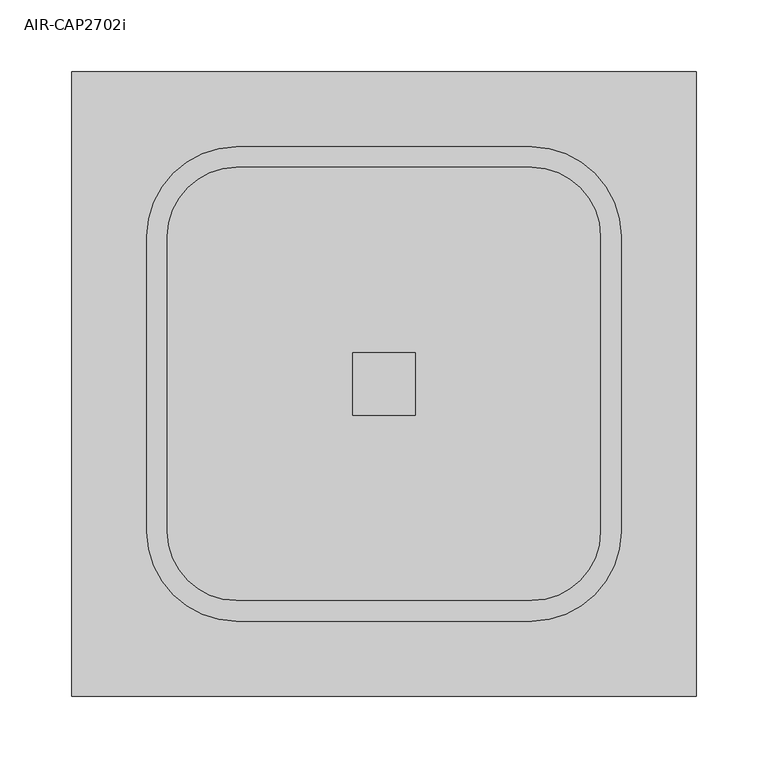
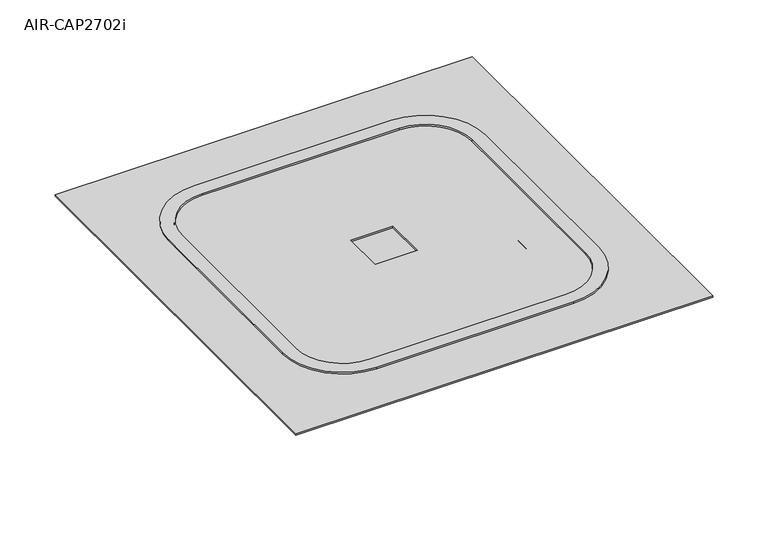
"""IFC4 building model written with IfcOpenShell, lengths in millimetres: electric appliance geometry, AIR-CAP2702i."""

from ifc_helpers import new_model, si_unit, point, frame, frame_2d, origin, origin_with_axes, place, context, project, spatial, polyline, circle_curve, ellipse_curve, trimmed, segment, composite_curve, outline, extrude, source, transform, mapped, element, save
from ifc_brep_helpers import plane_surface, cylinder_surface, revolved_surface, advanced_brep


def air_cap2702i_17e53360(model_context):
    return source(origin(), model_context, "Body", "SolidModel", [
        extrude(outline(composite_curve([segment(trimmed(circle_curve(frame_2d((182.0758539, 23.3036249)), 32.0189745), [point((182.0758539, 55.3225994))], [point((214.0948284, 23.3036249))], False, "CARTESIAN"), True, "CONTINUOUS"), segment(polyline([(214.0948284, 23.3036249), (214.0948284, -182.4363751)]), True, "CONTINUOUS"), segment(trimmed(circle_curve(frame_2d((182.0758539, -182.4363751)), 32.0189745), [point((214.0948284, -182.4363751))], [point((182.0758539, -214.4553495))], False, "CARTESIAN"), True, "CONTINUOUS"), segment(polyline([(182.0758539, -214.4553495), (-23.6641461, -214.4553495)]), True, "CONTINUOUS"), segment(trimmed(circle_curve(frame_2d((-23.6641461, -182.4363751)), 32.0189745), [point((-23.6641461, -214.4553495))], [point((-55.6831205, -182.4363751))], False, "CARTESIAN"), True, "CONTINUOUS"), segment(polyline([(-55.6831205, -182.4363751), (-55.6831205, 23.3036249)]), True, "CONTINUOUS"), segment(trimmed(circle_curve(frame_2d((-23.6641461, 23.3036249)), 32.0189745), [point((-55.6831205, 23.3036249))], [point((-23.6641461, 55.3225994))], False, "CARTESIAN"), True, "CONTINUOUS"), segment(polyline([(-23.6641461, 55.3225994), (182.0758539, 55.3225994)]), True, "CONTINUOUS")], self_intersect=False)), frame((0.0, 0.0, -50.8), z_axis=(0.0, 0.0, 1.0), x_axis=(1.0, 0.0, 0.0)), (0.0, 0.0, 1.0), 1.5875),
        advanced_brep(
        [(231.6058539, 23.3036249, -1.778), (182.0758539, 72.8336249, -1.778), (182.0758539, 72.8336249, 1.5875), (231.6058539, 23.3036249, 1.5875), (226.6896043, 23.3036249, -39.7314476), (182.0758539, 67.9173752, -39.7314476), (214.0948284, 23.3036249, -50.8), (182.0758539, 55.3225994, -50.8), (214.0948284, 23.3036249, -49.2125), (182.0758539, 55.3225994, -49.2125), (225.1152573, 23.3036249, -39.5275167), (182.0758539, 66.3430283, -39.5275167), (230.0183539, 23.3036249, -1.6756104), (182.0758539, 71.2461249, -1.6756104), (230.0183539, 23.3036249, 3.175), (182.0758539, 71.2461249, 3.175), (244.3058539, 23.3036249, 1.5875), (182.0758539, 85.5336249, 1.5875), (182.0758539, 85.5336249, 3.175), (244.3058539, 23.3036249, 3.175), (231.6058539, -182.4363751, 1.5875), (231.6058539, -182.4363751, -1.778), (226.6896043, -182.4363751, -39.7314476), (214.0948284, -182.4363751, -50.8), (214.0948284, -182.4363751, -49.2125), (225.1152573, -182.4363751, -39.5275167), (230.0183539, -182.4363751, -1.6756104), (230.0183539, -182.4363751, 3.175), (244.3058539, -182.4363751, 3.175), (244.3058539, -182.4363751, 1.5875), (182.0758539, -231.9663751, -1.778), (182.0758539, -231.9663751, 1.5875), (182.0758539, -227.0501254, -39.7314476), (182.0758539, -214.4553495, -50.8), (182.0758539, -214.4553495, -49.2125), (182.0758539, -225.4757784, -39.5275167), (182.0758539, -230.3788751, -1.6756104), (182.0758539, -230.3788751, 3.175), (182.0758539, -244.6663751, 1.5875), (182.0758539, -244.6663751, 3.175), (-23.6641461, -231.9663751, 1.5875), (-23.6641461, -231.9663751, -1.778), (-23.6641461, -227.0501254, -39.7314476), (-23.6641461, -214.4553495, -50.8), (-23.6641461, -214.4553495, -49.2125), (-23.6641461, -225.4757784, -39.5275167), (-23.6641461, -230.3788751, -1.6756104), (-23.6641461, -230.3788751, 3.175), (-23.6641461, -244.6663751, 3.175), (-23.6641461, -244.6663751, 1.5875), (-73.1941461, -182.4363751, -1.778), (-73.1941461, -182.4363751, 1.5875), (-68.2778964, -182.4363751, -39.7314476), (-55.6831205, -182.4363751, -50.8), (-55.6831205, -182.4363751, -49.2125), (-66.7035494, -182.4363751, -39.5275167), (-71.6066461, -182.4363751, -1.6756104), (-71.6066461, -182.4363751, 3.175), (-85.8941461, -182.4363751, 1.5875), (-85.8941461, -182.4363751, 3.175), (-73.1941461, 23.3036249, 1.5875), (-73.1941461, 23.3036249, -1.778), (-68.2778964, 23.3036249, -39.7314476), (-55.6831205, 23.3036249, -50.8), (-55.6831205, 23.3036249, -49.2125), (-66.7035494, 23.3036249, -39.5275167), (-71.6066461, 23.3036249, -1.6756104), (-71.6066461, 23.3036249, 3.175), (-85.8941461, 23.3036249, 3.175), (-85.8941461, 23.3036249, 1.5875), (-23.6641461, 72.8336249, -1.778), (-23.6641461, 72.8336249, 1.5875), (-23.6641461, 67.9173752, -39.7314476), (-23.6641461, 55.3225994, -50.8), (-23.6641461, 55.3225994, -49.2125), (-23.6641461, 66.3430283, -39.5275167), (-23.6641461, 71.2461249, -1.6756104), (-23.6641461, 71.2461249, 3.175), (-23.6641461, 85.5336249, 3.175), (-23.6641461, 85.5336249, 1.5875)],
        [
            (0, 1, circle_curve(frame((182.0758539, 23.3036249, -1.778), z_axis=(0.0, 0.0, 1.0), x_axis=(0.0, 1.0, 0.0)), 49.53)),
            (1, 2),
            (2, 3, circle_curve(frame((182.0758539, 23.3036249, 1.5875), z_axis=(0.0, 0.0, -1.0), x_axis=(0.0, 1.0, 0.0)), 49.53)),
            (3, 0),
            (4, 5, circle_curve(frame((182.0758539, 23.3036249, -39.7314476), z_axis=(0.0, 0.0, 1.0), x_axis=(0.0, 1.0, 0.0)), 44.6137503)),
            (5, 1),
            (0, 4),
            (6, 7, circle_curve(frame((182.0758539, 23.3036249, -50.8), z_axis=(0.0, 0.0, 1.0), x_axis=(0.0, 1.0, 0.0)), 32.0189745)),
            (7, 5, circle_curve(frame((182.0758539, 55.3225994, -38.1), z_axis=(1.0, 0.0, 0.0), x_axis=(0.0, 1.0, 0.0)), 12.7)),
            (4, 6, circle_curve(frame((214.0948284, 23.3036249, -38.1), z_axis=(0.0, 1.0, 0.0), x_axis=(1.0, 0.0, 0.0)), 12.7)),
            (8, 9, circle_curve(frame((182.0758539, 23.3036249, -49.2125), z_axis=(0.0, 0.0, 1.0), x_axis=(0.0, 1.0, 0.0)), 32.0189745)),
            (9, 7),
            (6, 8),
            (10, 11, circle_curve(frame((182.0758539, 23.3036249, -39.5275167), z_axis=(0.0, 0.0, 1.0), x_axis=(0.0, 1.0, 0.0)), 43.0394033)),
            (11, 9, circle_curve(frame((182.0758539, 55.3225994, -38.1), z_axis=(-1.0, 0.0, 0.0), x_axis=(0.0, 1.0, 0.0)), 11.1125)),
            (8, 10, circle_curve(frame((214.0948284, 23.3036249, -38.1), z_axis=(0.0, -1.0, 0.0), x_axis=(1.0, 0.0, 0.0)), 11.1125)),
            (12, 13, circle_curve(frame((182.0758539, 23.3036249, -1.6756104), z_axis=(0.0, 0.0, 1.0), x_axis=(0.0, 1.0, 0.0)), 47.9425)),
            (13, 11),
            (10, 12),
            (14, 15, circle_curve(frame((182.0758539, 23.3036249, 3.175), z_axis=(0.0, 0.0, 1.0), x_axis=(0.0, 1.0, 0.0)), 47.9425)),
            (15, 13),
            (12, 14),
            (16, 17, circle_curve(frame((182.0758539, 23.3036249, 1.5875), z_axis=(0.0, 0.0, 1.0), x_axis=(0.0, 1.0, 0.0)), 62.23)),
            (17, 18),
            (18, 19, circle_curve(frame((182.0758539, 23.3036249, 3.175), z_axis=(0.0, 0.0, -1.0), x_axis=(0.0, 1.0, 0.0)), 62.23)),
            (19, 16),
            (3, 20),
            (20, 21),
            (21, 0),
            (21, 22),
            (22, 4),
            (22, 23, circle_curve(frame((214.0948284, -182.4363751, -38.1), z_axis=(0.0, 1.0, 0.0), x_axis=(1.0, 0.0, 0.0)), 12.7)),
            (23, 6),
            (23, 24),
            (24, 8),
            (24, 25, circle_curve(frame((214.0948284, -182.4363751, -38.1), z_axis=(0.0, -1.0, 0.0), x_axis=(1.0, 0.0, 0.0)), 11.1125)),
            (25, 10),
            (25, 26),
            (26, 12),
            (26, 27),
            (27, 14),
            (19, 28),
            (28, 29),
            (29, 16),
            (30, 21, circle_curve(frame((182.0758539, -182.4363751, -1.778), z_axis=(0.0, 0.0, 1.0), x_axis=(1.0, 0.0, 0.0)), 49.53)),
            (20, 31, circle_curve(frame((182.0758539, -182.4363751, 1.5875), z_axis=(0.0, 0.0, -1.0), x_axis=(1.0, 0.0, 0.0)), 49.53)),
            (31, 30),
            (32, 22, circle_curve(frame((182.0758539, -182.4363751, -39.7314476), z_axis=(0.0, 0.0, 1.0), x_axis=(1.0, 0.0, 0.0)), 44.6137503)),
            (30, 32),
            (33, 23, circle_curve(frame((182.0758539, -182.4363751, -50.8), z_axis=(0.0, 0.0, 1.0), x_axis=(1.0, 0.0, 0.0)), 32.0189745)),
            (32, 33, circle_curve(frame((182.0758539, -214.4553495, -38.1), z_axis=(1.0, 0.0, 0.0), x_axis=(0.0, -1.0, 0.0)), 12.7)),
            (34, 24, circle_curve(frame((182.0758539, -182.4363751, -49.2125), z_axis=(0.0, 0.0, 1.0), x_axis=(1.0, 0.0, 0.0)), 32.0189745)),
            (33, 34),
            (35, 25, circle_curve(frame((182.0758539, -182.4363751, -39.5275167), z_axis=(0.0, 0.0, 1.0), x_axis=(1.0, 0.0, 0.0)), 43.0394033)),
            (34, 35, circle_curve(frame((182.0758539, -214.4553495, -38.1), z_axis=(-1.0, 0.0, 0.0), x_axis=(0.0, -1.0, 0.0)), 11.1125)),
            (36, 26, circle_curve(frame((182.0758539, -182.4363751, -1.6756104), z_axis=(0.0, 0.0, 1.0), x_axis=(1.0, 0.0, 0.0)), 47.9425)),
            (35, 36),
            (37, 27, circle_curve(frame((182.0758539, -182.4363751, 3.175), z_axis=(0.0, 0.0, 1.0), x_axis=(1.0, 0.0, 0.0)), 47.9425)),
            (36, 37),
            (38, 29, circle_curve(frame((182.0758539, -182.4363751, 1.5875), z_axis=(0.0, 0.0, 1.0), x_axis=(1.0, 0.0, 0.0)), 62.23)),
            (28, 39, circle_curve(frame((182.0758539, -182.4363751, 3.175), z_axis=(0.0, 0.0, -1.0), x_axis=(1.0, 0.0, 0.0)), 62.23)),
            (39, 38),
            (31, 40),
            (40, 41),
            (41, 30),
            (41, 42),
            (42, 32),
            (42, 43, circle_curve(frame((-23.6641461, -214.4553495, -38.1), z_axis=(1.0, 0.0, 0.0), x_axis=(0.0, -1.0, 0.0)), 12.7)),
            (43, 33),
            (43, 44),
            (44, 34),
            (44, 45, circle_curve(frame((-23.6641461, -214.4553495, -38.1), z_axis=(-1.0, 0.0, 0.0), x_axis=(0.0, -1.0, 0.0)), 11.1125)),
            (45, 35),
            (45, 46),
            (46, 36),
            (46, 47),
            (47, 37),
            (39, 48),
            (48, 49),
            (49, 38),
            (50, 41, circle_curve(frame((-23.6641461, -182.4363751, -1.778), z_axis=(0.0, 0.0, 1.0), x_axis=(0.0, -1.0, 0.0)), 49.53)),
            (40, 51, circle_curve(frame((-23.6641461, -182.4363751, 1.5875), z_axis=(0.0, 0.0, -1.0), x_axis=(0.0, -1.0, 0.0)), 49.53)),
            (51, 50),
            (52, 42, circle_curve(frame((-23.6641461, -182.4363751, -39.7314476), z_axis=(0.0, 0.0, 1.0), x_axis=(0.0, -1.0, 0.0)), 44.6137503)),
            (50, 52),
            (53, 43, circle_curve(frame((-23.6641461, -182.4363751, -50.8), z_axis=(0.0, 0.0, 1.0), x_axis=(0.0, -1.0, 0.0)), 32.0189745)),
            (52, 53, circle_curve(frame((-55.6831205, -182.4363751, -38.1), z_axis=(0.0, -1.0, 0.0), x_axis=(-1.0, 0.0, 0.0)), 12.7)),
            (54, 44, circle_curve(frame((-23.6641461, -182.4363751, -49.2125), z_axis=(0.0, 0.0, 1.0), x_axis=(0.0, -1.0, 0.0)), 32.0189745)),
            (53, 54),
            (55, 45, circle_curve(frame((-23.6641461, -182.4363751, -39.5275167), z_axis=(0.0, 0.0, 1.0), x_axis=(0.0, -1.0, 0.0)), 43.0394033)),
            (54, 55, circle_curve(frame((-55.6831205, -182.4363751, -38.1), z_axis=(0.0, 1.0, 0.0), x_axis=(-1.0, 0.0, 0.0)), 11.1125)),
            (56, 46, circle_curve(frame((-23.6641461, -182.4363751, -1.6756104), z_axis=(0.0, 0.0, 1.0), x_axis=(0.0, -1.0, 0.0)), 47.9425)),
            (55, 56),
            (57, 47, circle_curve(frame((-23.6641461, -182.4363751, 3.175), z_axis=(0.0, 0.0, 1.0), x_axis=(0.0, -1.0, 0.0)), 47.9425)),
            (56, 57),
            (58, 49, circle_curve(frame((-23.6641461, -182.4363751, 1.5875), z_axis=(0.0, 0.0, 1.0), x_axis=(0.0, -1.0, 0.0)), 62.23)),
            (48, 59, circle_curve(frame((-23.6641461, -182.4363751, 3.175), z_axis=(0.0, 0.0, -1.0), x_axis=(0.0, -1.0, 0.0)), 62.23)),
            (59, 58),
            (51, 60),
            (60, 61),
            (61, 50),
            (61, 62),
            (62, 52),
            (62, 63, circle_curve(frame((-55.6831205, 23.3036249, -38.1), z_axis=(0.0, -1.0, 0.0), x_axis=(-1.0, 0.0, 0.0)), 12.7)),
            (63, 53),
            (63, 64),
            (64, 54),
            (64, 65, circle_curve(frame((-55.6831205, 23.3036249, -38.1), z_axis=(0.0, 1.0, 0.0), x_axis=(-1.0, 0.0, 0.0)), 11.1125)),
            (65, 55),
            (65, 66),
            (66, 56),
            (66, 67),
            (67, 57),
            (59, 68),
            (68, 69),
            (69, 58),
            (70, 61, circle_curve(frame((-23.6641461, 23.3036249, -1.778), z_axis=(0.0, 0.0, 1.0), x_axis=(-1.0, 0.0, 0.0)), 49.53)),
            (60, 71, circle_curve(frame((-23.6641461, 23.3036249, 1.5875), z_axis=(0.0, 0.0, -1.0), x_axis=(-1.0, 0.0, 0.0)), 49.53)),
            (71, 70),
            (72, 62, circle_curve(frame((-23.6641461, 23.3036249, -39.7314476), z_axis=(0.0, 0.0, 1.0), x_axis=(-1.0, 0.0, 0.0)), 44.6137503)),
            (70, 72),
            (73, 63, circle_curve(frame((-23.6641461, 23.3036249, -50.8), z_axis=(0.0, 0.0, 1.0), x_axis=(-1.0, 0.0, 0.0)), 32.0189745)),
            (72, 73, circle_curve(frame((-23.6641461, 55.3225994, -38.1), z_axis=(-1.0, 0.0, 0.0), x_axis=(0.0, 1.0, 0.0)), 12.7)),
            (74, 64, circle_curve(frame((-23.6641461, 23.3036249, -49.2125), z_axis=(0.0, 0.0, 1.0), x_axis=(-1.0, 0.0, 0.0)), 32.0189745)),
            (73, 74),
            (75, 65, circle_curve(frame((-23.6641461, 23.3036249, -39.5275167), z_axis=(0.0, 0.0, 1.0), x_axis=(-1.0, 0.0, 0.0)), 43.0394033)),
            (74, 75, circle_curve(frame((-23.6641461, 55.3225994, -38.1), z_axis=(1.0, 0.0, 0.0), x_axis=(0.0, 1.0, 0.0)), 11.1125)),
            (76, 66, circle_curve(frame((-23.6641461, 23.3036249, -1.6756104), z_axis=(0.0, 0.0, 1.0), x_axis=(-1.0, 0.0, 0.0)), 47.9425)),
            (75, 76),
            (77, 67, circle_curve(frame((-23.6641461, 23.3036249, 3.175), z_axis=(0.0, 0.0, 1.0), x_axis=(-1.0, 0.0, 0.0)), 47.9425)),
            (76, 77),
            (78, 68, circle_curve(frame((-23.6641461, 23.3036249, 3.175), z_axis=(0.0, 0.0, 1.0), x_axis=(-1.0, 0.0, 0.0)), 62.23)),
            (18, 78),
            (77, 15),
            (79, 69, circle_curve(frame((-23.6641461, 23.3036249, 1.5875), z_axis=(0.0, 0.0, 1.0), x_axis=(-1.0, 0.0, 0.0)), 62.23)),
            (78, 79),
            (79, 17),
            (2, 71),
            (1, 70),
            (5, 72),
            (7, 73),
            (9, 74),
            (11, 75),
            (13, 76),
        ],
        [
            cylinder_surface(frame((182.0758539, 23.3036249, 0.0), z_axis=(0.0, 0.0, -1.0), x_axis=(0.0, 1.0, 0.0)), 49.53),
            revolved_surface(polyline([(182.0758539, 72.8336249, -1.778), (182.0758539, 67.9173752, -39.7314476)]), (182.0758539, 23.3036249, 0.0), (0.0, 0.0, -1.0)),
            revolved_surface(trimmed(ellipse_curve(frame((182.0758539, 55.3225994, -38.1), z_axis=(-1.0, 0.0, 0.0), x_axis=(0.0, 1.0, 0.0)), 12.7, 12.7), [point((182.0758539, 67.9173752, -39.7314476))], [point((182.0758539, 55.3225994, -50.8))], True, "CARTESIAN"), (182.0758539, 23.3036249, 0.0), (0.0, 0.0, -1.0)),
            revolved_surface(polyline([(182.0758539, 55.3225994, -50.8), (182.0758539, 55.3225994, -49.2125)]), (182.0758539, 23.3036249, 0.0), (0.0, 0.0, -1.0)),
            revolved_surface(trimmed(ellipse_curve(frame((182.0758539, 55.3225994, -38.1), z_axis=(1.0, 0.0, 0.0), x_axis=(0.0, 1.0, 0.0)), 11.1125, 11.1125), [point((182.0758539, 55.3225994, -49.2125))], [point((182.0758539, 66.3430283, -39.5275167))], True, "CARTESIAN"), (182.0758539, 23.3036249, 0.0), (0.0, 0.0, -1.0)),
            revolved_surface(polyline([(182.0758539, 66.3430283, -39.5275167), (182.0758539, 71.2461249, -1.6756104)]), (182.0758539, 23.3036249, 0.0), (0.0, 0.0, -1.0)),
            revolved_surface(polyline([(182.0758539, 71.2461249, -1.6756104), (182.0758539, 71.2461249, 3.175)]), (182.0758539, 23.3036249, 0.0), (0.0, 0.0, -1.0)),
            cylinder_surface(frame((182.0758539, 23.3036249, 0.0), z_axis=(0.0, 0.0, -1.0), x_axis=(0.0, 1.0, 0.0)), 62.23),
            plane_surface(frame((231.6058539, 23.3036249, 1.5875), z_axis=(1.0, 0.0, 0.0), x_axis=(0.0, -1.0, 0.0))),
            plane_surface(frame((231.6058539, 23.3036249, -1.778), z_axis=(0.9917146334184787, 0.0, -0.12846044474332385), x_axis=(0.0, -1.0, 0.0))),
            cylinder_surface(frame((214.0948284, 23.3036249, -38.1), z_axis=(0.0, 1.0, 0.0), x_axis=(1.0, 0.0, 0.0)), 12.7),
            plane_surface(frame((214.0948284, 23.3036249, -50.8), z_axis=(-1.0, 0.0, 0.0), x_axis=(0.0, -1.0, 0.0))),
            revolved_surface(polyline([(225.20732840000002, -182.4363751, -38.1), (225.20732840000002, 23.3036249, -38.1)]), (214.0948284, 23.3036249, -38.1), (0.0, -1.0, 0.0)),
            plane_surface(frame((225.1152573, 23.3036249, -39.5275167), z_axis=(-0.9917146334184783, 0.0, 0.12846044474332674), x_axis=(0.0, -1.0, 0.0))),
            plane_surface(frame((230.0183539, 23.3036249, -1.6756104), z_axis=(-1.0, 0.0, 0.0), x_axis=(0.0, -1.0, 0.0))),
            plane_surface(frame((244.3058539, 23.3036249, 3.175), z_axis=(1.0, 0.0, 0.0), x_axis=(0.0, -1.0, 0.0))),
            cylinder_surface(frame((182.0758539, -182.4363751, 0.0), z_axis=(0.0, 0.0, -1.0), x_axis=(1.0, 0.0, 0.0)), 49.53),
            revolved_surface(polyline([(231.6058539, -182.4363751, -1.778), (226.6896043, -182.4363751, -39.7314476)]), (182.0758539, -182.4363751, 0.0), (0.0, 0.0, -1.0)),
            revolved_surface(trimmed(ellipse_curve(frame((214.0948284, -182.4363751, -38.1), z_axis=(0.0, 1.0, 0.0), x_axis=(1.0, 0.0, 0.0)), 12.7, 12.7), [point((226.6896043, -182.4363751, -39.7314476))], [point((214.0948284, -182.4363751, -50.8))], True, "CARTESIAN"), (182.0758539, -182.4363751, 0.0), (0.0, 0.0, -1.0)),
            revolved_surface(polyline([(214.09482839999998, -182.4363751, -50.8), (214.09482839999998, -182.4363751, -49.2125)]), (182.0758539, -182.4363751, 0.0), (0.0, 0.0, -1.0)),
            revolved_surface(trimmed(ellipse_curve(frame((214.0948284, -182.4363751, -38.1), z_axis=(0.0, -1.0, 0.0), x_axis=(1.0, 0.0, 0.0)), 11.1125, 11.1125), [point((214.0948284, -182.4363751, -49.2125))], [point((225.1152573, -182.4363751, -39.5275167))], True, "CARTESIAN"), (182.0758539, -182.4363751, 0.0), (0.0, 0.0, -1.0)),
            revolved_surface(polyline([(225.1152573, -182.4363751, -39.5275167), (230.0183539, -182.4363751, -1.6756104)]), (182.0758539, -182.4363751, 0.0), (0.0, 0.0, -1.0)),
            revolved_surface(polyline([(230.0183539, -182.4363751, -1.6756104), (230.0183539, -182.4363751, 3.175)]), (182.0758539, -182.4363751, 0.0), (0.0, 0.0, -1.0)),
            cylinder_surface(frame((182.0758539, -182.4363751, 0.0), z_axis=(0.0, 0.0, -1.0), x_axis=(1.0, 0.0, 0.0)), 62.23),
            plane_surface(frame((182.0758539, -231.9663751, 1.5875), z_axis=(0.0, -1.0, 0.0), x_axis=(-1.0, 0.0, 0.0))),
            plane_surface(frame((182.0758539, -231.9663751, -1.778), z_axis=(0.0, -0.9917146334184787, -0.12846044474332385), x_axis=(-1.0, 0.0, 0.0))),
            cylinder_surface(frame((182.0758539, -214.4553495, -38.1), z_axis=(1.0, 0.0, 0.0), x_axis=(0.0, -1.0, 0.0)), 12.7),
            plane_surface(frame((182.0758539, -214.4553495, -50.8), z_axis=(0.0, 1.0, 0.0), x_axis=(-1.0, 0.0, 0.0))),
            revolved_surface(polyline([(-23.66414610000001, -225.56784950000002, -38.1), (182.0758539, -225.56784950000002, -38.1)]), (182.0758539, -214.4553495, -38.1), (-1.0, 0.0, 0.0)),
            plane_surface(frame((182.0758539, -225.4757784, -39.5275167), z_axis=(0.0, 0.9917146334184783, 0.12846044474332674), x_axis=(-1.0, 0.0, 0.0))),
            plane_surface(frame((182.0758539, -230.3788751, -1.6756104), z_axis=(0.0, 1.0, 0.0), x_axis=(-1.0, 0.0, 0.0))),
            plane_surface(frame((182.0758539, -244.6663751, 3.175), z_axis=(0.0, -1.0, 0.0), x_axis=(-1.0, 0.0, 0.0))),
            cylinder_surface(frame((-23.6641461, -182.4363751, 0.0), z_axis=(0.0, 0.0, -1.0), x_axis=(0.0, -1.0, 0.0)), 49.53),
            revolved_surface(polyline([(-23.6641461, -231.9663751, -1.778), (-23.6641461, -227.0501254, -39.7314476)]), (-23.6641461, -182.4363751, 0.0), (0.0, 0.0, -1.0)),
            revolved_surface(trimmed(ellipse_curve(frame((-23.6641461, -214.4553495, -38.1), z_axis=(1.0, 0.0, 0.0), x_axis=(0.0, -1.0, 0.0)), 12.7, 12.7), [point((-23.6641461, -227.0501254, -39.7314476))], [point((-23.6641461, -214.4553495, -50.8))], True, "CARTESIAN"), (-23.6641461, -182.4363751, 0.0), (0.0, 0.0, -1.0)),
            revolved_surface(polyline([(-23.6641461, -214.45534959999998, -50.8), (-23.6641461, -214.45534959999998, -49.2125)]), (-23.6641461, -182.4363751, 0.0), (0.0, 0.0, -1.0)),
            revolved_surface(trimmed(ellipse_curve(frame((-23.6641461, -214.4553495, -38.1), z_axis=(-1.0, 0.0, 0.0), x_axis=(0.0, -1.0, 0.0)), 11.1125, 11.1125), [point((-23.6641461, -214.4553495, -49.2125))], [point((-23.6641461, -225.4757784, -39.5275167))], True, "CARTESIAN"), (-23.6641461, -182.4363751, 0.0), (0.0, 0.0, -1.0)),
            revolved_surface(polyline([(-23.6641461, -225.4757784, -39.5275167), (-23.6641461, -230.3788751, -1.6756104)]), (-23.6641461, -182.4363751, 0.0), (0.0, 0.0, -1.0)),
            revolved_surface(polyline([(-23.6641461, -230.3788751, -1.6756104), (-23.6641461, -230.3788751, 3.175)]), (-23.6641461, -182.4363751, 0.0), (0.0, 0.0, -1.0)),
            cylinder_surface(frame((-23.6641461, -182.4363751, 0.0), z_axis=(0.0, 0.0, -1.0), x_axis=(0.0, -1.0, 0.0)), 62.23),
            plane_surface(frame((-73.1941461, -182.4363751, 1.5875), z_axis=(-1.0, 0.0, 0.0), x_axis=(0.0, 1.0, 0.0))),
            plane_surface(frame((-73.1941461, -182.4363751, -1.778), z_axis=(-0.9917146334184787, 0.0, -0.12846044474332385), x_axis=(0.0, 1.0, 0.0))),
            cylinder_surface(frame((-55.6831205, -182.4363751, -38.1), z_axis=(0.0, -1.0, 0.0), x_axis=(-1.0, 0.0, 0.0)), 12.7),
            plane_surface(frame((-55.6831205, -182.4363751, -50.8), z_axis=(1.0, 0.0, 0.0), x_axis=(0.0, 1.0, 0.0))),
            revolved_surface(polyline([(-66.7956205, 23.30362489999999, -38.1), (-66.7956205, -182.4363751, -38.1)]), (-55.6831205, -182.4363751, -38.1), (0.0, 1.0, 0.0)),
            plane_surface(frame((-66.7035494, -182.4363751, -39.5275167), z_axis=(0.9917146334184783, 0.0, 0.12846044474332674), x_axis=(0.0, 1.0, 0.0))),
            plane_surface(frame((-71.6066461, -182.4363751, -1.6756104), z_axis=(1.0, 0.0, 0.0), x_axis=(0.0, 1.0, 0.0))),
            plane_surface(frame((-85.8941461, -182.4363751, 3.175), z_axis=(-1.0, 0.0, 0.0), x_axis=(0.0, 1.0, 0.0))),
            cylinder_surface(frame((-23.6641461, 23.3036249, 0.0), z_axis=(0.0, 0.0, -1.0), x_axis=(-1.0, 0.0, 0.0)), 49.53),
            revolved_surface(polyline([(-73.1941461, 23.3036249, -1.778), (-68.2778964, 23.3036249, -39.7314476)]), (-23.6641461, 23.3036249, 0.0), (0.0, 0.0, -1.0)),
            revolved_surface(trimmed(ellipse_curve(frame((-55.6831205, 23.3036249, -38.1), z_axis=(0.0, -1.0, 0.0), x_axis=(-1.0, 0.0, 0.0)), 12.7, 12.7), [point((-68.2778964, 23.3036249, -39.7314476))], [point((-55.6831205, 23.3036249, -50.8))], True, "CARTESIAN"), (-23.6641461, 23.3036249, 0.0), (0.0, 0.0, -1.0)),
            revolved_surface(polyline([(-55.683120599999995, 23.3036249, -50.8), (-55.683120599999995, 23.3036249, -49.2125)]), (-23.6641461, 23.3036249, 0.0), (0.0, 0.0, -1.0)),
            revolved_surface(trimmed(ellipse_curve(frame((-55.6831205, 23.3036249, -38.1), z_axis=(0.0, 1.0, 0.0), x_axis=(-1.0, 0.0, 0.0)), 11.1125, 11.1125), [point((-55.6831205, 23.3036249, -49.2125))], [point((-66.7035494, 23.3036249, -39.5275167))], True, "CARTESIAN"), (-23.6641461, 23.3036249, 0.0), (0.0, 0.0, -1.0)),
            revolved_surface(polyline([(-66.7035494, 23.3036249, -39.5275167), (-71.6066461, 23.3036249, -1.6756104)]), (-23.6641461, 23.3036249, 0.0), (0.0, 0.0, -1.0)),
            revolved_surface(polyline([(-71.6066461, 23.3036249, -1.6756104), (-71.6066461, 23.3036249, 3.175)]), (-23.6641461, 23.3036249, 0.0), (0.0, 0.0, -1.0)),
            plane_surface(frame((-23.6641461, 23.3036249, 3.175), z_axis=(0.0, 0.0, 1.0), x_axis=(-1.0, 0.0, 0.0))),
            cylinder_surface(frame((-23.6641461, 23.3036249, 0.0), z_axis=(0.0, 0.0, -1.0), x_axis=(-1.0, 0.0, 0.0)), 62.23),
            plane_surface(frame((-23.6641461, 23.3036249, 1.5875), z_axis=(0.0, 0.0, -1.0), x_axis=(-1.0, 0.0, 0.0))),
            plane_surface(frame((-23.6641461, 72.8336249, 1.5875), z_axis=(0.0, 1.0, 0.0), x_axis=(1.0, 0.0, 0.0))),
            plane_surface(frame((-23.6641461, 72.8336249, -1.778), z_axis=(0.0, 0.9917146334184787, -0.12846044474332385), x_axis=(1.0, 0.0, 0.0))),
            cylinder_surface(frame((-23.6641461, 55.3225994, -38.1), z_axis=(-1.0, 0.0, 0.0), x_axis=(0.0, 1.0, 0.0)), 12.7),
            plane_surface(frame((-23.6641461, 55.3225994, -50.8), z_axis=(0.0, -1.0, 0.0), x_axis=(1.0, 0.0, 0.0))),
            revolved_surface(polyline([(182.0758539, 66.4350994, -38.1), (-23.6641461, 66.4350994, -38.1)]), (-23.6641461, 55.3225994, -38.1), (1.0, 0.0, 0.0)),
            plane_surface(frame((-23.6641461, 66.3430283, -39.5275167), z_axis=(0.0, -0.9917146334184783, 0.12846044474332674), x_axis=(1.0, 0.0, 0.0))),
            plane_surface(frame((-23.6641461, 71.2461249, -1.6756104), z_axis=(0.0, -1.0, 0.0), x_axis=(1.0, 0.0, 0.0))),
            plane_surface(frame((-23.6641461, 85.5336249, 3.175), z_axis=(0.0, 1.0, 0.0), x_axis=(1.0, 0.0, 0.0))),
        ],
        [
            (0, [[1, 2, 3, 4]]),
            (1, [[5, 6, -1, 7]]),
            (2, [[8, 9, -5, 10]]),
            (3, [[11, 12, -8, 13]]),
            (4, [[14, 15, -11, 16]]),
            (5, [[17, 18, -14, 19]]),
            (6, [[20, 21, -17, 22]]),
            (7, [[23, 24, 25, 26]]),
            (8, [[-4, 27, 28, 29]]),
            (9, [[-7, -29, 30, 31]]),
            (10, [[-10, -31, 32, 33]]),
            (11, [[-13, -33, 34, 35]]),
            (12, [[-16, -35, 36, 37]]),
            (13, [[-19, -37, 38, 39]]),
            (14, [[-22, -39, 40, 41]]),
            (15, [[-26, 42, 43, 44]]),
            (16, [[45, -28, 46, 47]]),
            (17, [[48, -30, -45, 49]]),
            (18, [[50, -32, -48, 51]]),
            (19, [[52, -34, -50, 53]]),
            (20, [[54, -36, -52, 55]]),
            (21, [[56, -38, -54, 57]]),
            (22, [[58, -40, -56, 59]]),
            (23, [[60, -43, 61, 62]]),
            (24, [[-47, 63, 64, 65]]),
            (25, [[-49, -65, 66, 67]]),
            (26, [[-51, -67, 68, 69]]),
            (27, [[-53, -69, 70, 71]]),
            (28, [[-55, -71, 72, 73]]),
            (29, [[-57, -73, 74, 75]]),
            (30, [[-59, -75, 76, 77]]),
            (31, [[-62, 78, 79, 80]]),
            (32, [[81, -64, 82, 83]]),
            (33, [[84, -66, -81, 85]]),
            (34, [[86, -68, -84, 87]]),
            (35, [[88, -70, -86, 89]]),
            (36, [[90, -72, -88, 91]]),
            (37, [[92, -74, -90, 93]]),
            (38, [[94, -76, -92, 95]]),
            (39, [[96, -79, 97, 98]]),
            (40, [[-83, 99, 100, 101]]),
            (41, [[-85, -101, 102, 103]]),
            (42, [[-87, -103, 104, 105]]),
            (43, [[-89, -105, 106, 107]]),
            (44, [[-91, -107, 108, 109]]),
            (45, [[-93, -109, 110, 111]]),
            (46, [[-95, -111, 112, 113]]),
            (47, [[-98, 114, 115, 116]]),
            (48, [[117, -100, 118, 119]]),
            (49, [[120, -102, -117, 121]]),
            (50, [[122, -104, -120, 123]]),
            (51, [[124, -106, -122, 125]]),
            (52, [[126, -108, -124, 127]]),
            (53, [[128, -110, -126, 129]]),
            (54, [[130, -112, -128, 131]]),
            (55, [[132, -114, -97, -78, -61, -42, -25, 133], [-77, -94, -113, -130, 134, -20, -41, -58]]),
            (56, [[135, -115, -132, 136]]),
            (57, [[-80, -96, -116, -135, 137, -23, -44, -60], [-118, -99, -82, -63, -46, -27, -3, 138]]),
            (58, [[-119, -138, -2, 139]]),
            (59, [[-121, -139, -6, 140]]),
            (60, [[-123, -140, -9, 141]]),
            (61, [[-125, -141, -12, 142]]),
            (62, [[-127, -142, -15, 143]]),
            (63, [[-129, -143, -18, 144]]),
            (64, [[-131, -144, -21, -134]]),
            (65, [[-136, -133, -24, -137]]),
        ],
    ),
        extrude(outline(composite_curve([segment(trimmed(circle_curve(frame_2d((182.0758539, 23.3036249)), 49.53), [point((182.0758539, 72.8336249))], [point((231.6058539, 23.3036249))], False, "CARTESIAN"), True, "CONTINUOUS"), segment(polyline([(231.6058539, 23.3036249), (231.6058539, -182.4363751)]), True, "CONTINUOUS"), segment(trimmed(circle_curve(frame_2d((182.0758539, -182.4363751)), 49.53), [point((231.6058539, -182.4363751))], [point((182.0758539, -231.9663751))], False, "CARTESIAN"), True, "CONTINUOUS"), segment(polyline([(182.0758539, -231.9663751), (-23.6641461, -231.9663751)]), True, "CONTINUOUS"), segment(trimmed(circle_curve(frame_2d((-23.6641461, -182.4363751)), 49.53), [point((-23.6641461, -231.9663751))], [point((-73.1941461, -182.4363751))], False, "CARTESIAN"), True, "CONTINUOUS"), segment(polyline([(-73.1941461, -182.4363751), (-73.1941461, 23.3036249)]), True, "CONTINUOUS"), segment(trimmed(circle_curve(frame_2d((-23.6641461, 23.3036249)), 49.53), [point((-73.1941461, 23.3036249))], [point((-23.6641461, 72.8336249))], False, "CARTESIAN"), True, "CONTINUOUS"), segment(polyline([(-23.6641461, 72.8336249), (182.0758539, 72.8336249)]), True, "CONTINUOUS")], self_intersect=False), holes=[polyline([(101.0996039, -57.6726251), (57.3121039, -57.6726251), (57.3121039, -101.4601251), (101.0996039, -101.4601251), (101.0996039, -57.6726251)])]), origin_with_axes(), (0.0, 0.0, 1.0), 1.5875),
        extrude(outline(polyline([(296.6933539, 137.9211249), (296.6933539, -297.0538751), (-138.2816461, -297.0538751), (-138.2816461, 137.9211249), (296.6933539, 137.9211249)]), holes=[polyline([(187.6183539, 28.8461249), (-29.2066461, 28.8461249), (-29.2066461, -187.9788751), (187.6183539, -187.9788751), (187.6183539, 28.8461249)])]), origin_with_axes(), (0.0, 0.0, 1.0), 1.5875),
    ])


if __name__ == "__main__":
    model = new_model("IFC4")
    model_context = context("Model", 3, world=origin())
    ifc_project = project(units=[si_unit("LENGTHUNIT", "METRE", prefix="MILLI")], contexts=[model_context])
    site = spatial("IfcSite", under=ifc_project)
    building = spatial("IfcBuilding", under=site)
    placement = place(None, origin())
    air_cap2702i_shape = air_cap2702i_17e53360(model_context)
    element("IfcElectricAppliance", 1, ObjectType="AIR-CAP2702i", at=placement, inside=building, context=model_context, shape_type="MappedRepresentation", body=[
        mapped(air_cap2702i_shape, transform((0.0, 0.0, 0.0), x_axis=(1.0, 0.0, 0.0), y_axis=(0.0, 1.0, 0.0), z_axis=(0.0, 0.0, 1.0))),
    ])
    save(model, "model.ifc")
